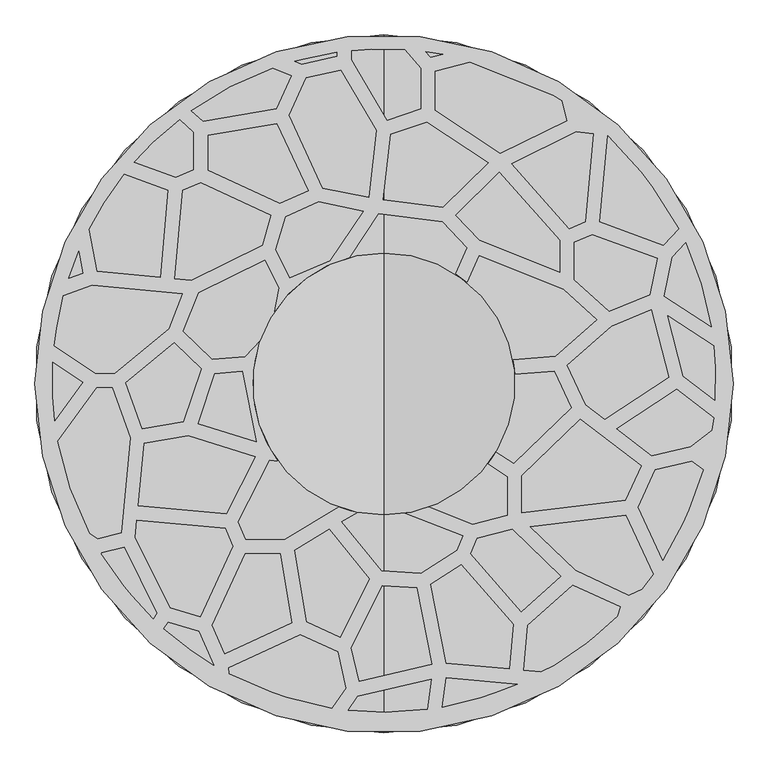
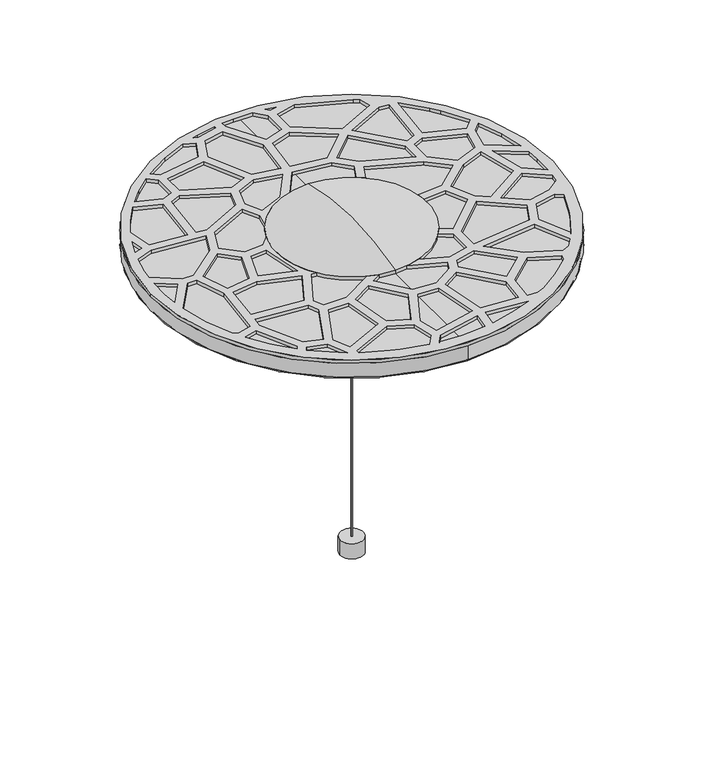
"""IFC4 building model written with IfcOpenShell, lengths in millimetres: light fixture geometry."""

import ifcopenshell
import ifcopenshell.guid

model = None  # the IFC model being written
_history = None  # IfcOwnerHistory: only IFC2X3 demands one
_inside = {}  # id of a spatial element -> (the spatial element, [elements in it])
_under = {}  # id of a project, library or spatial element -> (it, [spatial elements below it])
_declared = {}  # id of a project -> (the project, [libraries it declares])
_typed = {}  # id of a type object -> (the type object, [elements of that type])
_made_of = {}  # id of a material, layer set ... -> (it, [elements and type objects made of it])


def new_model(schema):
    """Start an empty IFC model of exactly this schema.

    Asked for "IFC4X3", IfcOpenShell would pick the latest addendum, in which some entities
    have other attributes; the version numbers below select the first issue.
    IFC2X3 requires an IfcOwnerHistory on every rooted entity: one is made here for all.
    """
    global model, _history
    if schema == "IFC4X3":
        model = ifcopenshell.file(schema_version=(4, 3, 0, 0))
    else:
        model = ifcopenshell.file(schema=schema)
    _inside.clear()
    _under.clear()
    _declared.clear()
    _typed.clear()
    _made_of.clear()
    _history = None
    if model.schema == "IFC2X3":
        org = make("IfcOrganization", Name="unknown")
        user = make(
            "IfcPersonAndOrganization",
            ThePerson=make("IfcPerson", FamilyName="unknown"),
            TheOrganization=org,
        )
        app = make(
            "IfcApplication",
            ApplicationDeveloper=org,
            Version="unknown",
            ApplicationFullName="unknown",
            ApplicationIdentifier="unknown",
        )
        _history = make(
            "IfcOwnerHistory",
            OwningUser=user,
            OwningApplication=app,
            ChangeAction="ADDED",
            CreationDate=0,
        )
    return model


def make(cls, **values):
    """One entity of the class cls with the attributes given. An attribute that is None is left unset."""
    return model.create_entity(
        cls, **{name: value for name, value in values.items() if value is not None}
    )


def rooted(cls, **values):
    """An entity with a GlobalId (a new one), such as an element, a storey or a relation."""
    return make(cls, GlobalId=ifcopenshell.guid.new(), OwnerHistory=_history, **values)


def si_unit(unit_type, name, prefix=None):
    """IfcSIUnit, for example si_unit("LENGTHUNIT", "METRE", prefix="MILLI")."""
    return make("IfcSIUnit", UnitType=unit_type, Prefix=prefix, Name=name)


def assignment(units):
    """IfcUnitAssignment: the units of a project."""
    return None if units is None else make("IfcUnitAssignment", Units=units)


def point(xyz):
    """IfcCartesianPoint."""
    return None if xyz is None else make("IfcCartesianPoint", Coordinates=xyz)


def direction(xyz):
    """IfcDirection."""
    return None if xyz is None else make("IfcDirection", DirectionRatios=xyz)


def frame(location, z_axis=None, x_axis=None):
    """IfcAxis2Placement3D, a coordinate frame: its origin and axes. An axis left out is left unset."""
    return make(
        "IfcAxis2Placement3D",
        Location=point(location),
        Axis=direction(z_axis),
        RefDirection=direction(x_axis),
    )


def frame_2d(location, x_axis=None):
    """IfcAxis2Placement2D, a coordinate frame in the plane: its origin and x axis."""
    return make(
        "IfcAxis2Placement2D", Location=point(location), RefDirection=direction(x_axis)
    )


def origin():
    """The frame at (0, 0, 0) with its axes left unset."""
    return frame((0.0, 0.0, 0.0))


def origin_with_axes():
    """The frame at (0, 0, 0) with the z axis (0, 0, 1) and the x axis (1, 0, 0) written out."""
    return frame((0.0, 0.0, 0.0), z_axis=(0.0, 0.0, 1.0), x_axis=(1.0, 0.0, 0.0))


def origin_2d():
    """The frame at (0, 0) in the plane with its x axis left unset."""
    return frame_2d((0.0, 0.0))


def place(relative_to, where):
    """IfcLocalPlacement: puts the frame where relative to a parent placement (None: the world)."""
    return make(
        "IfcLocalPlacement", PlacementRelTo=relative_to, RelativePlacement=where
    )


def context(
    kind, dimensions, precision=None, world=None, true_north=None, identifier=None
):
    """IfcGeometricRepresentationContext, for example the 3D "Model" context."""
    return make(
        "IfcGeometricRepresentationContext",
        ContextIdentifier=identifier,
        ContextType=kind,
        CoordinateSpaceDimension=dimensions,
        Precision=precision,
        WorldCoordinateSystem=world,
        TrueNorth=true_north,
    )


def project(units=None, contexts=None):
    """IfcProject with its units and contexts."""
    return rooted(
        "IfcProject",
        Name="project",
        RepresentationContexts=contexts,
        UnitsInContext=assignment(units),
    )


def spatial(cls, under=None, at=None, **own):
    """A site, building, storey or space (cls), placed at a placement, below another one or the project."""
    s = rooted(cls, ObjectPlacement=at, **own)
    if under is not None:
        _under.setdefault(under.id(), (under, []))[1].append(s)
    return s


def polyline(points):
    """IfcPolyline through the points."""
    return make("IfcPolyline", Points=[point(p) for p in points])


def circle_curve(where, radius):
    """IfcCircle in the frame where."""
    return make("IfcCircle", Position=where, Radius=radius)


def ellipse_curve(where, semi_axis1, semi_axis2):
    """IfcEllipse in the frame where."""
    return make(
        "IfcEllipse", Position=where, SemiAxis1=semi_axis1, SemiAxis2=semi_axis2
    )


def trimmed(basis, trim1, trim2, sense, master):
    """IfcTrimmedCurve: the piece of a basis curve between two trims."""
    return make(
        "IfcTrimmedCurve",
        BasisCurve=basis,
        Trim1=trim1,
        Trim2=trim2,
        SenseAgreement=sense,
        MasterRepresentation=master,
    )


def segment(curve, same_sense, transition):
    """IfcCompositeCurveSegment."""
    return make(
        "IfcCompositeCurveSegment",
        Transition=transition,
        SameSense=same_sense,
        ParentCurve=curve,
    )


def composite_curve(segments, self_intersect=None):
    """IfcCompositeCurve: segments joined end to end."""
    return make("IfcCompositeCurve", Segments=segments, SelfIntersect=self_intersect)


def outline(outer, holes=None, kind="AREA"):
    """IfcArbitraryClosedProfileDef: a profile drawn as a closed curve; with holes, ...WithVoids."""
    if holes is None:
        return make("IfcArbitraryClosedProfileDef", ProfileType=kind, OuterCurve=outer)
    return make(
        "IfcArbitraryProfileDefWithVoids",
        ProfileType=kind,
        OuterCurve=outer,
        InnerCurves=holes,
    )


def extrude(swept, where, along, depth):
    """IfcExtrudedAreaSolid: the profile swept, set in the frame where, extruded along a direction by depth."""
    return make(
        "IfcExtrudedAreaSolid",
        SweptArea=swept,
        Position=where,
        ExtrudedDirection=direction(along),
        Depth=depth,
    )


def shape(context_of_items, identifier, shape_type, items):
    """IfcShapeRepresentation: the items that make up one representation, for example the "Body"."""
    return make(
        "IfcShapeRepresentation",
        ContextOfItems=context_of_items,
        RepresentationIdentifier=identifier,
        RepresentationType=shape_type,
        Items=items,
    )


def source(mapping_origin, context_of_items, identifier, shape_type, items):
    """IfcRepresentationMap: a shape defined once, which mapped items show again and again."""
    return make(
        "IfcRepresentationMap",
        MappingOrigin=mapping_origin,
        MappedRepresentation=shape(context_of_items, identifier, shape_type, items),
    )


def transform(
    local_origin,
    x_axis=None,
    y_axis=None,
    z_axis=None,
    scale=None,
    scale2=None,
    scale3=None,
    uniform=True,
):
    """IfcCartesianTransformationOperator3D, or its non-uniform kind. x_axis, y_axis, z_axis: its Axis1, 2, 3."""
    if uniform:
        return make(
            "IfcCartesianTransformationOperator3D",
            Axis1=direction(x_axis),
            Axis2=direction(y_axis),
            LocalOrigin=point(local_origin),
            Scale=scale,
            Axis3=direction(z_axis),
        )
    return make(
        "IfcCartesianTransformationOperator3DnonUniform",
        Axis1=direction(x_axis),
        Axis2=direction(y_axis),
        LocalOrigin=point(local_origin),
        Scale=scale,
        Axis3=direction(z_axis),
        Scale2=scale2,
        Scale3=scale3,
    )


def mapped(mapping_source, mapping_target):
    """IfcMappedItem: shows the shape of a source again, moved by a transform."""
    return make(
        "IfcMappedItem", MappingSource=mapping_source, MappingTarget=mapping_target
    )


def made_of(thing, what):
    """Note that an element or type object is made of a material, layer set ...; save() writes the relation."""
    if what is not None:
        _made_of.setdefault(what.id(), (what, []))[1].append(thing)
    return thing


def element(
    cls,
    number,
    at=None,
    inside=None,
    cuts=None,
    type_object=None,
    material=None,
    context=None,
    identifier="Body",
    shape_type=None,
    held_by="IfcProductDefinitionShape",
    body=None,
    shapes=None,
    **own,
):
    """One element of the class cls, such as IfcWall. Its Tag is "e" and its number.

    at: its placement. inside: the storey or other place that contains it. cuts: it is an
    opening in that element (IfcRelVoidsElement). A single representation is given by context,
    identifier, shape_type and body (its items); several are given by shapes. held_by: the class
    of the entity that holds the representations. save() writes the other relations.
    """
    e = rooted(cls, Tag="e%d" % number, ObjectPlacement=at, **own)
    if body is not None:
        shapes = [shape(context, identifier, shape_type, body)]
    if shapes is not None:
        e.Representation = make(held_by, Representations=shapes)
    if inside is not None:
        _inside.setdefault(inside.id(), (inside, []))[1].append(e)
    if cuts is not None:
        rooted(
            "IfcRelVoidsElement", RelatingBuildingElement=cuts, RelatedOpeningElement=e
        )
    if type_object is not None:
        _typed.setdefault(type_object.id(), (type_object, []))[1].append(e)
    return made_of(e, material)


def aggregate(whole, parts):
    """IfcRelAggregates: a whole, such as a stair, and the parts it consists of."""
    return rooted("IfcRelAggregates", RelatingObject=whole, RelatedObjects=parts)


def save(model, path):
    """Write the relations noted so far, then the file.

    IfcRelAggregates (storeys below a building ...), IfcRelContainedInSpatialStructure (elements
    in a storey), IfcRelDefinesByType, IfcRelAssociatesMaterial and IfcRelDeclares: one each for
    every whole, place, type object, material and project.
    """
    for whole, parts in _under.values():
        aggregate(whole, parts)
    for where, things in _inside.values():
        rooted(
            "IfcRelContainedInSpatialStructure",
            RelatedElements=things,
            RelatingStructure=where,
        )
    for kind, things in _typed.values():
        rooted("IfcRelDefinesByType", RelatedObjects=things, RelatingType=kind)
    for what, things in _made_of.values():
        rooted("IfcRelAssociatesMaterial", RelatedObjects=things, RelatingMaterial=what)
    for by, libraries in _declared.values():
        rooted("IfcRelDeclares", RelatingContext=by, RelatedDefinitions=libraries)
    model.write(path)


def plane_surface(at):
    """IfcPlane: the flat surface through the origin of the frame at, square to its z axis."""
    return make("IfcPlane", Position=at)


def cylinder_surface(at, radius):
    """IfcCylindricalSurface: all points at the distance radius from the z axis of the frame at."""
    return make("IfcCylindricalSurface", Position=at, Radius=radius)


def revolved_surface(curve, axis_point, axis_direction):
    """IfcSurfaceOfRevolution: the curve turned about the line through axis_point along axis_direction."""
    return make(
        "IfcSurfaceOfRevolution",
        SweptCurve=make("IfcArbitraryOpenProfileDef", ProfileType="CURVE", Curve=curve),
        AxisPosition=make("IfcAxis1Placement", Location=point(axis_point), Axis=direction(axis_direction)),
    )


def spline_surface(u_degree, v_degree, points, u_multiplicities, v_multiplicities, u_knots, v_knots, weights=None):
    """IfcBSplineSurfaceWithKnots; with weights, IfcRationalBSplineSurfaceWithKnots. points: one row for each step in u."""
    own = dict(
        UDegree=u_degree,
        VDegree=v_degree,
        ControlPointsList=[[point(p) for p in row] for row in points],
        SurfaceForm="UNSPECIFIED",
        UClosed=False,
        VClosed=False,
        SelfIntersect=False,
        UMultiplicities=u_multiplicities,
        VMultiplicities=v_multiplicities,
        UKnots=u_knots,
        VKnots=v_knots,
        KnotSpec="UNSPECIFIED",
    )
    if weights is None:
        return make("IfcBSplineSurfaceWithKnots", **own)
    return make("IfcRationalBSplineSurfaceWithKnots", WeightsData=weights, **own)


def advanced_brep(points, edges, surfaces, faces):
    """IfcAdvancedBrep: a solid bounded by faces that lie on surfaces and meet in shared edges.

    An edge is (start, end): straight between two places in points (the first is 0);
    or (start, end, curve); or (start, end, curve, False) where it runs against its curve.
    A face is (place in surfaces, loops), or (place, loops, False) where it looks against
    its surface's normal. A loop lists edges by number (the first is 1), with a minus sign
    where the edge is run from its end to its start. The first loop is the outer one.
    """
    corners = [point(p) for p in points]
    vertices = [make("IfcVertexPoint", VertexGeometry=c) for c in corners]
    made = []
    for start, end, *more in edges:
        made.append(
            make(
                "IfcEdgeCurve",
                EdgeStart=vertices[start],
                EdgeEnd=vertices[end],
                EdgeGeometry=more[0] if more else make("IfcPolyline", Points=[corners[start], corners[end]]),
                SameSense=more[1] if len(more) > 1 else True,
            )
        )
    hull = []
    for where, loops, *sense in faces:
        bounds = []
        for j, loop in enumerate(loops):
            ring = [make("IfcOrientedEdge", EdgeElement=made[abs(k) - 1], Orientation=k > 0) for k in loop]
            bounds.append(
                make(
                    "IfcFaceOuterBound" if j == 0 else "IfcFaceBound",
                    Bound=make("IfcEdgeLoop", EdgeList=ring),
                    Orientation=True,
                )
            )
        hull.append(make("IfcAdvancedFace", Bounds=bounds, FaceSurface=surfaces[where], SameSense=sense[0] if sense else True))
    return make("IfcAdvancedBrep", Outer=make("IfcClosedShell", CfsFaces=hull))


def light_fixture_6d06a873(model_context):
    return source(origin(), model_context, "Body", "SolidModel", [
        advanced_brep(
        [(-0.418367, 1.561367, 727.45), (-1.561367, -0.418367, 727.45), (-172.6595666, 100.9948582, 950.4000057), (-173.7938962, 99.0301418, 950.4000057)],
        [
            (0, 1, circle_curve(frame((-0.989867, 0.5715, 727.45), z_axis=(0.0, 0.0, -1.0), x_axis=(-0.500000000000015, -0.86602540378443, 0.0)), 1.143)),
            (1, 0, circle_curve(frame((-0.989867, 0.5715, 727.45), z_axis=(0.0, 0.0, -1.0), x_axis=(-0.500000000000015, -0.86602540378443, 0.0)), 1.143)),
            (2, 3, circle_curve(frame((-173.2267314, 100.0125, 950.4000057), z_axis=(0.0, 0.0, 1.0), x_axis=(-0.500000000000015, -0.86602540378443, 0.0)), 1.1343295)),
            (3, 2, circle_curve(frame((-173.2267314, 100.0125, 950.4000057), z_axis=(0.0, 0.0, 1.0), x_axis=(-0.500000000000015, -0.86602540378443, 0.0)), 1.1343295)),
            (2, 0),
            (1, 3),
        ],
        [
            plane_surface(frame((-0.989867, 0.5715, 727.45), z_axis=(0.0, 0.0, -1.0), x_axis=(-0.8660254037844284, 0.5000000000000178, 0.0))),
            plane_surface(frame((-173.2267314, 100.0125, 950.4000057), z_axis=(0.0, 0.0, 1.0), x_axis=(-0.8660254037844284, 0.5000000000000178, 0.0))),
            spline_surface(2, 1, [[(-173.7938962, 99.0301418, 950.4000057), (-1.561367, -0.418367, 727.45)], [(-174.20080228954842, 99.26506915226062, 950.4000057), (-1.9713833363455684, -0.18164394910377626, 727.45)], [(-174.32240962090452, 99.7189139313561, 950.4000057), (-2.093920193620896, 0.27566985727532756, 727.45)], [(-174.44401695226065, 100.17275871045157, 950.4000057), (-2.216457050896224, 0.7329836636544315, 727.45)], [(-174.20908960000003, 100.5796648, 950.4000057), (-1.979734, 1.143, 727.45)], [(-173.97416224773937, 100.98657088954843, 950.4000057), (-1.7430109491037762, 1.5530163363455682, 727.45)], [(-173.5203174686439, 101.10817822090453, 950.4000057), (-1.2856971427246724, 1.6755531936208963, 727.45)], [(-173.06647268954842, 101.22978555226064, 950.4000057), (-0.8283833363455684, 1.7980900508962239, 727.45)], [(-172.6595666, 100.9948582, 950.4000057), (-0.418367, 1.561367, 727.45)]], [3, 2, 2, 2, 3], [2, 2], [0.0, 1.0, 2.0, 3.0, 4.0], [0.0, 1.0], weights=[[1.0, 1.0], [0.9238795325112867, 0.9238795325112867], [1.0, 1.0], [0.9238795325112867, 0.9238795325112867], [1.0, 1.0], [0.9238795325112868, 0.9238795325112868], [1.0, 1.0], [0.9238795325112868, 0.9238795325112868], [1.0, 1.0]]),
            spline_surface(2, 1, [[(-172.6595666, 100.9948582, 950.4000057), (-0.418367, 1.561367, 727.45)], [(-171.6772084, 100.4276934, 950.4000057), (0.5715, 0.9898669999999998, 727.45)], [(-172.2443732, 99.4453352, 950.4000057), (-1.1102230246251565e-16, 0.0, 727.45)], [(-172.811538, 98.46297700000001, 950.4000057), (-0.5715, -0.989867, 727.45)], [(-173.7938962, 99.0301418, 950.4000057), (-1.561367, -0.418367, 727.45)]], [3, 2, 3], [2, 2], [0.0, 1.0, 2.0], [0.0, 1.0], weights=[[1.0, 1.0], [0.7071067811865476, 0.7071067811865476], [1.0, 1.0], [0.7071067811865476, 0.7071067811865476], [1.0, 1.0]]),
        ],
        [
            (0, [[1, 2]]),
            (1, [[3, 4]]),
            (2, [[-3, 5, -2, 6]]),
            (3, [[-4, -6, -1, -5]]),
        ],
    ),
        advanced_brep(
        [(1.561367, -0.418367, 727.45), (0.418367, 1.561367, 727.45), (173.7938962, 99.0301418, 950.4000057), (172.6595666, 100.9948582, 950.4000057)],
        [
            (0, 1, circle_curve(frame((0.989867, 0.5715, 727.45), z_axis=(0.0, 0.0, -1.0000000000000002), x_axis=(-0.4999999999999754, 0.866025403784453, 0.0)), 1.143)),
            (1, 0, circle_curve(frame((0.989867, 0.5715, 727.45), z_axis=(0.0, 0.0, -1.0000000000000002), x_axis=(-0.4999999999999754, 0.866025403784453, 0.0)), 1.143)),
            (2, 3, circle_curve(frame((173.2267314, 100.0125, 950.4000057), z_axis=(0.0, 0.0, 1.0000000000000002), x_axis=(-0.4999999999999754, 0.866025403784453, 0.0)), 1.1343295)),
            (3, 2, circle_curve(frame((173.2267314, 100.0125, 950.4000057), z_axis=(0.0, 0.0, 1.0000000000000002), x_axis=(-0.4999999999999754, 0.866025403784453, 0.0)), 1.1343295)),
            (2, 0),
            (1, 3),
        ],
        [
            plane_surface(frame((0.989867, 0.5715, 727.45), z_axis=(0.0, 0.0, -1.0), x_axis=(0.8660254037844545, 0.4999999999999725, 0.0))),
            plane_surface(frame((173.2267314, 100.0125, 950.4000057), z_axis=(0.0, 0.0, 1.0), x_axis=(0.8660254037844545, 0.4999999999999725, 0.0))),
            spline_surface(2, 1, [[(172.6595666, 100.9948582, 950.4000057), (0.418367, 1.561367, 727.45)], [(173.06647268954842, 101.22978555226062, 950.4000057), (0.8283833363455685, 1.7980900508962239, 727.45)], [(173.5203174686439, 101.10817822090452, 950.4000057), (1.2856971427246724, 1.675553193620896, 727.45)], [(173.97416224773937, 100.98657088954842, 950.4000057), (1.7430109491037764, 1.5530163363455687, 727.45)], [(174.2090896, 100.5796648, 950.4000057), (1.979734, 1.1430000000000002, 727.45)], [(174.44401695226063, 100.17275871045159, 950.4000057), (2.2164570508962242, 0.7329836636544316, 727.45)], [(174.32240962090452, 99.71891393135611, 950.4000057), (2.093920193620896, 0.2756698572753276, 727.45)], [(174.20080228954842, 99.26506915226064, 950.4000057), (1.9713833363455684, -0.18164394910377618, 727.45)], [(173.7938962, 99.0301418, 950.4000057), (1.561367, -0.418367, 727.45)]], [3, 2, 2, 2, 3], [2, 2], [0.0, 1.0, 2.0, 3.0, 4.0], [0.0, 1.0], weights=[[1.0, 1.0], [0.9238795325112867, 0.9238795325112867], [1.0, 1.0], [0.9238795325112867, 0.9238795325112867], [1.0, 1.0], [0.9238795325112868, 0.9238795325112868], [1.0, 1.0], [0.9238795325112868, 0.9238795325112868], [1.0, 1.0]]),
            spline_surface(2, 1, [[(173.7938962, 99.0301418, 950.4000057), (1.561367, -0.418367, 727.45)], [(172.81153799999998, 98.462977, 950.4000057), (0.5714999999999997, -0.989867, 727.45)], [(172.24437319999998, 99.4453352, 950.4000057), (-2.220446049250313e-16, -1.1102230246251565e-16, 727.45)], [(171.67720839999998, 100.42769340000001, 950.4000057), (-0.5715000000000002, 0.9898669999999998, 727.45)], [(172.6595666, 100.9948582, 950.4000057), (0.418367, 1.561367, 727.45)]], [3, 2, 3], [2, 2], [0.0, 1.0, 2.0], [0.0, 1.0], weights=[[1.0, 1.0], [0.7071067811865476, 0.7071067811865476], [1.0, 1.0], [0.7071067811865476, 0.7071067811865476], [1.0, 1.0]]),
        ],
        [
            (0, [[1, 2]]),
            (1, [[3, 4]]),
            (2, [[-3, 5, -2, 6]]),
            (3, [[-4, -6, -1, -5]]),
        ],
    ),
        advanced_brep(
        [(-1.143, -1.143, 727.45), (1.143, -1.143, 727.45), (-1.1343295, -200.025, 950.4000057), (1.1343295, -200.025, 950.4000057)],
        [
            (0, 1, circle_curve(frame((0.0, -1.143, 727.45), z_axis=(0.0, 0.0, -1.0), x_axis=(1.0, 0.0, 0.0)), 1.143)),
            (1, 0, circle_curve(frame((0.0, -1.143, 727.45), z_axis=(0.0, 0.0, -1.0), x_axis=(1.0, 0.0, 0.0)), 1.143)),
            (2, 3, circle_curve(frame((0.0, -200.025, 950.4000057), z_axis=(0.0, 0.0, 1.0), x_axis=(1.0, 0.0, 0.0)), 1.1343295)),
            (3, 2, circle_curve(frame((0.0, -200.025, 950.4000057), z_axis=(0.0, 0.0, 1.0), x_axis=(1.0, 0.0, 0.0)), 1.1343295)),
            (2, 0),
            (1, 3),
        ],
        [
            plane_surface(frame((0.0, -1.143, 727.45), z_axis=(0.0, 0.0, -1.0), x_axis=(0.0, -1.0, 0.0))),
            plane_surface(frame((0.0, -200.025, 950.4000057), z_axis=(0.0, 0.0, 1.0), x_axis=(0.0, -1.0, 0.0))),
            spline_surface(2, 1, [[(1.1343295, -200.025, 950.4000057), (1.143, -1.143, 727.45)], [(1.1343295, -201.1593295, 950.4000057), (1.143, -2.286, 727.45)], [(0.0, -201.1593295, 950.4000057), (0.0, -2.286, 727.45)], [(-1.1343295, -201.1593295, 950.4000057), (-1.143, -2.286, 727.45)], [(-1.1343295, -200.025, 950.4000057), (-1.143, -1.143, 727.45)]], [3, 2, 3], [2, 2], [0.0, 1.0, 2.0], [0.0, 1.0], weights=[[1.0, 1.0], [0.7071067811865476, 0.7071067811865476], [1.0, 1.0], [0.7071067811865476, 0.7071067811865476], [1.0, 1.0]]),
            spline_surface(2, 1, [[(-1.1343295, -200.025, 950.4000057), (-1.143, -1.143, 727.45)], [(-1.1343295, -198.8906705, 950.4000057), (-1.143, 0.0, 727.45)], [(0.0, -198.8906705, 950.4000057), (0.0, 0.0, 727.45)], [(1.1343295, -198.8906705, 950.4000057), (1.143, 0.0, 727.45)], [(1.1343295, -200.025, 950.4000057), (1.143, -1.143, 727.45)]], [3, 2, 3], [2, 2], [0.0, 1.0, 2.0], [0.0, 1.0], weights=[[1.0, 1.0], [0.7071067811865476, 0.7071067811865476], [1.0, 1.0], [0.7071067811865476, 0.7071067811865476], [1.0, 1.0]]),
        ],
        [
            (0, [[1, 2]]),
            (1, [[3, 4]]),
            (2, [[-3, 5, -2, 6]]),
            (3, [[-4, -6, -1, -5]]),
        ],
    ),
        advanced_brep(
        [(0.0, -6.35, 727.45), (0.0, 6.35, 727.45), (0.0, 3.81, 727.45), (0.0, -3.81, 727.45), (0.0, -6.35, 733.8), (0.0, 6.35, 733.8), (0.0, 0.0, 733.8), (0.0, -3.81, 708.4), (0.0, 3.81, 708.4), (0.0, 0.0, 708.4)],
        [
            (0, 1, circle_curve(frame((0.0, 0.0, 727.45), z_axis=(0.0, 0.0, -1.0), x_axis=(0.0, 1.0, 0.0)), 6.35)),
            (1, 2),
            (2, 3, circle_curve(frame((0.0, 0.0, 727.45), z_axis=(0.0, 0.0, 1.0), x_axis=(0.0, 1.0, 0.0)), 3.81)),
            (3, 0),
            (1, 0, circle_curve(frame((0.0, 0.0, 727.45), z_axis=(0.0, 0.0, -1.0), x_axis=(0.0, 1.0, 0.0)), 6.35)),
            (3, 2, circle_curve(frame((0.0, 0.0, 727.45), z_axis=(0.0, 0.0, 1.0), x_axis=(0.0, 1.0, 0.0)), 3.81)),
            (4, 5, circle_curve(frame((0.0, 0.0, 733.8), z_axis=(0.0, 0.0, -1.0), x_axis=(0.0, 1.0, 0.0)), 6.35)),
            (5, 1),
            (0, 4),
            (5, 4, circle_curve(frame((0.0, 0.0, 733.8), z_axis=(0.0, 0.0, -1.0), x_axis=(0.0, 1.0, 0.0)), 6.35)),
            (6, 5),
            (4, 6),
            (7, 8, circle_curve(frame((0.0, 0.0, 708.4), z_axis=(0.0, 0.0, -1.0), x_axis=(0.0, 1.0, 0.0)), 3.81)),
            (8, 9),
            (9, 7),
            (8, 7, circle_curve(frame((0.0, 0.0, 708.4), z_axis=(0.0, 0.0, -1.0), x_axis=(0.0, 1.0, 0.0)), 3.81)),
            (2, 8),
            (7, 3),
        ],
        [
            plane_surface(frame((0.0, 0.0, 727.45), z_axis=(0.0, 0.0, -1.0), x_axis=(0.0, 1.0, 0.0))),
            cylinder_surface(frame((0.0, 0.0, 778.25), z_axis=(0.0, 0.0, 1.0), x_axis=(0.0, 1.0, 0.0)), 6.35),
            plane_surface(frame((0.0, 0.0, 733.8), z_axis=(0.0, 0.0, 1.0), x_axis=(0.0, 1.0, 0.0))),
            plane_surface(frame((0.0, 0.0, 708.4), z_axis=(0.0, 0.0, -1.0), x_axis=(0.0, 1.0, 0.0))),
            cylinder_surface(frame((0.0, 0.0, 778.25), z_axis=(0.0, 0.0, 1.0), x_axis=(0.0, 1.0, 0.0)), 3.81),
        ],
        [
            (0, [[1, 2, 3, 4]]),
            (0, [[5, -4, 6, -2]]),
            (1, [[7, 8, -1, 9]]),
            (1, [[10, -9, -5, -8]]),
            (2, [[11, -7, 12]]),
            (2, [[-12, -10, -11]]),
            (3, [[13, 14, 15]]),
            (3, [[16, -15, -14]]),
            (4, [[-3, 17, -13, 18]]),
            (4, [[-6, -18, -16, -17]]),
        ],
    ),
        advanced_brep(
        [(0.0, -225.044, 950.4000057), (0.0, 225.044, 950.4000057), (0.0, 0.0, 950.4000057), (0.0, -225.044, 964.94), (0.0, 225.044, 964.94), (0.0, 0.0, 964.94)],
        [
            (0, 1, circle_curve(frame((0.0, 0.0, 950.4000057), z_axis=(0.0, 0.0, -1.0), x_axis=(0.0, 1.0, 0.0)), 225.044)),
            (1, 2),
            (2, 0),
            (1, 0, circle_curve(frame((0.0, 0.0, 950.4000057), z_axis=(0.0, 0.0, -1.0), x_axis=(0.0, 1.0, 0.0)), 225.044)),
            (3, 4, circle_curve(frame((0.0, 0.0, 964.94), z_axis=(0.0, 0.0, -1.0), x_axis=(0.0, 1.0, 0.0)), 225.044)),
            (4, 1),
            (0, 3),
            (4, 3, circle_curve(frame((0.0, 0.0, 964.94), z_axis=(0.0, 0.0, -1.0), x_axis=(0.0, 1.0, 0.0)), 225.044)),
            (5, 4),
            (3, 5),
        ],
        [
            plane_surface(frame((0.0, 0.0, 950.4000057), z_axis=(0.0, 0.0, -1.0), x_axis=(0.0, 1.0, 0.0))),
            cylinder_surface(frame((0.0, 0.0, 1193.54), z_axis=(0.0, 0.0, 1.0), x_axis=(0.0, 1.0, 0.0)), 225.044),
            plane_surface(frame((0.0, 0.0, 964.94), z_axis=(0.0, 0.0, 1.0), x_axis=(0.0, 1.0, 0.0))),
        ],
        [
            (0, [[1, 2, 3]]),
            (0, [[4, -3, -2]]),
            (1, [[5, 6, -1, 7]]),
            (1, [[8, -7, -4, -6]]),
            (2, [[9, -5, 10]]),
            (2, [[-10, -8, -9]]),
        ],
    ),
        advanced_brep(
        [(0.0, -225.044, 964.94), (0.0, 225.044, 964.94), (0.0, 0.0, 964.94), (0.0, -225.044, 1022.344), (0.0, 225.044, 1022.344), (0.0, 0.0, 1055.258596)],
        [
            (0, 1, circle_curve(frame((0.0, 0.0, 964.94), z_axis=(0.0, 0.0, -1.0), x_axis=(0.0, 1.0, 0.0)), 225.044)),
            (1, 2),
            (2, 0),
            (1, 0, circle_curve(frame((0.0, 0.0, 964.94), z_axis=(0.0, 0.0, -1.0), x_axis=(0.0, 1.0, 0.0)), 225.044)),
            (3, 4, circle_curve(frame((0.0, 0.0, 1022.344), z_axis=(0.0, 0.0, -1.0), x_axis=(0.0, 1.0, 0.0)), 225.044)),
            (4, 1),
            (0, 3),
            (4, 3, circle_curve(frame((0.0, 0.0, 1022.344), z_axis=(0.0, 0.0, -1.0), x_axis=(0.0, 1.0, 0.0)), 225.044)),
            (5, 4, circle_curve(frame((0.0, 0.0, 269.4647715), z_axis=(-1.0, 0.0, 0.0), x_axis=(0.0, 1.0, 0.0)), 785.7938245)),
            (3, 5, circle_curve(frame((0.0, 0.0, 269.4647715), z_axis=(-1.0, 0.0, 0.0), x_axis=(0.0, -1.0, 0.0)), 785.7938245)),
        ],
        [
            plane_surface(frame((0.0, 0.0, 964.94), z_axis=(0.0, 0.0, -1.0), x_axis=(0.0, 1.0, 0.0))),
            cylinder_surface(frame((0.0, 0.0, 1343.4), z_axis=(0.0, 0.0, 1.0), x_axis=(0.0, 1.0, 0.0)), 225.044),
            revolved_surface(trimmed(ellipse_curve(frame((0.0, 0.0, 269.4647715), z_axis=(1.0, 0.0, 0.0), x_axis=(0.0, 1.0, 0.0)), 785.7938245, 785.7938245), [point((0.0, 225.044, 1022.344))], [point((0.0, 0.0, 1055.258596))], True, "CARTESIAN"), (0.0, 0.0, 1343.4), (0.0, 0.0, 1.0)),
        ],
        [
            (0, [[1, 2, 3]]),
            (0, [[4, -3, -2]]),
            (1, [[5, 6, -1, 7]]),
            (1, [[8, -7, -4, -6]]),
            (2, [[9, -5, 10]]),
            (2, [[-10, -8, -9]]),
        ],
    ),
        extrude(outline(composite_curve([segment(trimmed(circle_curve(frame_2d((0.052, 0.052)), 600.0), [point((-599.948, 0.052))], [point((600.052, 0.052))], False, "CARTESIAN"), True, "CONTINUOUS"), segment(trimmed(circle_curve(frame_2d((0.052, 0.052)), 600.0), [point((600.052, 0.052))], [point((-599.948, 0.052))], False, "CARTESIAN"), True, "CONTINUOUS")], self_intersect=False), holes=[polyline([(-138.3621489, 558.4445514), (-153.648764, 554.6609396), (-141.428236, 549.7674366), (-80.7289025, 563.5804545), (-80.7289025, 570.0215214), (-138.3621489, 558.4445514)]), polyline([(-191.1520739, 542.7486568), (-264.1699705, 510.7854187), (-331.0072122, 469.778819), (-311.0111125, 451.6423284), (-185.2155015, 472.7222268), (-159.2417064, 529.970692), (-191.1520739, 542.7486568)]), polyline([(-351.4038549, 454.5271993), (-396.315881, 415.0949203), (-429.1513946, 380.8539793), (-358.2283593, 355.0483742), (-327.420953, 367.8954119), (-327.420953, 432.7746736), (-351.4038549, 454.5271993)]), polyline([(-302.420953, 427.7332267), (-302.420953, 367.5593288), (-179.0356784, 310.5561005), (-130.3037842, 332.0817714), (-183.9117194, 447.5921278), (-302.420953, 427.7332267)]), polyline([(-25.8117547, 320.7385388), (-12.8396016, 435.698344), (-74.3352204, 539.3962798), (-133.6350427, 525.9017411), (-162.8300191, 461.5535168), (-104.9263894, 336.7871205), (-25.8117547, 320.7385388)]), polyline([(-55.7289025, 573.0387661), (-55.7289025, 557.0331482), (5.6404823, 453.5480764), (63.2081014, 472.9983584), (63.2081014, 542.6596992), (35.6865132, 574.6597599), (-21.6456599, 575.0352074), (-55.7289025, 573.0387661)]), polyline([(80.1279505, 561.3265731), (101.2404973, 566.721148), (71.5766425, 571.2693996), (80.1279505, 561.3265731)]), polyline([(88.2081014, 537.5879766), (88.2081014, 470.7369183), (200.0152079, 396.5916615), (313.9821454, 452.6337783), (305.3626293, 487.1118427), (290.2842144, 496.3511849), (147.7054944, 552.7904601), (88.2081014, 537.5879766)]), polyline([(73.9053223, 450.2242255), (11.5820748, 429.1671667), (-1.1180652, 316.617953), (101.372671, 303.5663409), (179.3385205, 380.3058473), (73.9053223, 450.2242255)]), polyline([(-112.1919131, 312.7517706), (-168.7938119, 287.7497907), (-185.5999453, 230.5572051), (-161.5595464, 182.851661), (-92.8173762, 211.5179255), (-35.6493608, 297.2249416), (-112.1919131, 312.7517706)]), composite_curve([segment(trimmed(circle_curve(frame_2d((0.052, 0.052)), 225.0), [point((-58.9998336, 217.1645997))], [point((-132.784534, 181.6544648))], True, "CARTESIAN"), True, "CONTINUOUS"), segment(trimmed(circle_curve(frame_2d((0.052, 0.052)), 225.0), [point((-132.784534, 181.6544648))], [point((-189.7271458, 120.9191826))], True, "CARTESIAN"), True, "CONTINUOUS"), segment(polyline([(-189.7271458, 120.9191826), (-180.6085844, 165.099456), (-204.5775156, 212.6631803), (-318.6267622, 156.5805887), (-344.977982, 90.6022962), (-295.3178523, 42.4263703), (-238.8600715, 47.077005), (-211.7397042, 76.0077374)]), True, "CONTINUOUS"), segment(trimmed(circle_curve(frame_2d((0.052, 0.052)), 225.0), [point((-211.7397042, 76.0077374))], [point((-222.2210393, -34.8721466))], True, "CARTESIAN"), True, "CONTINUOUS"), segment(trimmed(circle_curve(frame_2d((0.052, 0.052)), 225.0), [point((-222.2210393, -34.8721466))], [point((-181.775283, -132.4766352))], True, "CARTESIAN"), True, "CONTINUOUS"), segment(polyline([(-181.775283, -132.4766352), (-196.1480832, -131.1267033), (-250.3194641, -236.7959417), (-237.8273143, -266.7523207), (-170.8496479, -266.7523207), (-77.4934432, -211.1628296)]), True, "CONTINUOUS"), segment(trimmed(circle_curve(frame_2d((0.052, 0.052)), 225.0), [point((-77.4934432, -211.1628296))], [point((-56.896053, -217.6218828))], True, "CARTESIAN"), True, "CONTINUOUS"), segment(trimmed(circle_curve(frame_2d((0.052, 0.052)), 225.0), [point((-56.896053, -217.6218828))], [point((-44.3493107, -220.5234375))], True, "CARTESIAN"), True, "CONTINUOUS"), segment(polyline([(-44.3493107, -220.5234375), (-72.3316466, -237.1856809), (-3.8216896, -321.3269264), (63.6384912, -325.6367139), (125.0534372, -285.8541653), (135.1759955, -261.3109705), (36.0093997, -222.056229)]), True, "CONTINUOUS"), segment(trimmed(circle_curve(frame_2d((0.052, 0.052)), 225.0), [point((36.0093997, -222.056229))], [point((76.9821486, -211.387713))], True, "CARTESIAN"), True, "CONTINUOUS"), segment(polyline([(76.9821486, -211.387713), (152.3985056, -241.2410076), (211.8958986, -226.038524), (211.8958986, -159.1874673), (178.4756028, -137.0246864)]), True, "CONTINUOUS"), segment(trimmed(circle_curve(frame_2d((0.052, 0.052)), 225.0), [point((178.4756028, -137.0246864))], [point((186.5577217, -125.8075081))], True, "CARTESIAN"), True, "CONTINUOUS"), segment(trimmed(circle_curve(frame_2d((0.052, 0.052)), 225.0), [point((186.5577217, -125.8075081))], [point((192.5827009, -116.382227))], True, "CARTESIAN"), True, "CONTINUOUS"), segment(polyline([(192.5827009, -116.382227), (222.9312819, -136.50799), (321.6626518, -41.0630508), (292.3873737, 21.9815335), (224.4583311, 16.3859689)]), True, "CONTINUOUS"), segment(trimmed(circle_curve(frame_2d((0.052, 0.052)), 225.0), [point((224.4583311, 16.3859689))], [point((222.7220393, 32.3483402))], True, "CARTESIAN"), True, "CONTINUOUS"), segment(trimmed(circle_curve(frame_2d((0.052, 0.052)), 225.0), [point((222.7220393, 32.3483402))], [point((221.2561519, 41.206868))], True, "CARTESIAN"), True, "CONTINUOUS"), segment(polyline([(221.2561519, 41.206868), (294.8763999, 47.2712381), (365.8963847, 110.2204333), (308.2809564, 162.4777077), (163.9790369, 220.6429684), (142.8029706, 173.9691078)]), True, "CONTINUOUS"), segment(trimmed(circle_curve(frame_2d((0.052, 0.052)), 225.0), [point((142.8029706, 173.9691078))], [point((122.1798932, 189.0223091))], True, "CARTESIAN"), True, "CONTINUOUS"), segment(polyline([(122.1798932, 189.0223091), (142.6550081, 234.151213), (99.8686007, 278.5559837), (-8.8187618, 292.396701), (-58.9998336, 217.1645997)]), True, "CONTINUOUS")], self_intersect=False), polyline([(315.3102232, 31.9760528), (346.7929642, -35.8223232), (379.4887386, -60.9423666), (489.1738319, 11.298257), (459.0969151, 127.6274773), (391.3535376, 99.3777208), (315.3102232, 31.9760528)]), polyline([(569.0307761, -28.3302936), (569.2481399, 27.9008794), (566.8871726, 65.7571158), (487.7039037, 116.8562368), (514.5296415, 13.1016804), (569.0307761, -28.3302936)]), polyline([(562.4836493, 98.352477), (545.4174054, 171.4065106), (518.5035053, 242.6460768), (495.5028132, 218.1100209), (481.5634443, 150.5724904), (562.4836493, 98.352477)]), polyline([(358.3323593, 256.5010784), (327.524953, 243.6540406), (327.524953, 178.7747789), (387.1374103, 124.7061964), (456.6836145, 153.7077522), (469.5476106, 216.0350034), (358.3323593, 256.5010784)]), polyline([(198.4918495, 364.0795241), (123.3979742, 290.166818), (164.6932151, 247.309616), (302.524953, 191.752358), (302.524953, 247.226631), (198.4918495, 364.0795241)]), polyline([(318.4368369, 266.9508418), (346.2436816, 278.5466114), (359.7964791, 430.3824046), (330.9044155, 433.0960238), (219.3547735, 378.2425882), (318.4368369, 266.9508418)]), polyline([(480.4952684, 238.6551058), (506.8103447, 266.726791), (460.5378063, 339.8398076), (442.2237573, 363.6136877), (384.5543738, 426.5572517), (371.3278523, 278.3760684), (480.4952684, 238.6551058)]), polyline([(-315.1782864, 345.9140941), (-346.1396816, 333.0028412), (-359.6924791, 181.167048), (-330.8004155, 178.4534287), (-209.4298588, 238.1362023), (-194.1849221, 290.0159135), (-315.1782864, 345.9140941)]), polyline([(-371.2238523, 333.1733841), (-446.166936, 360.4416985), (-480.8372069, 311.4070239), (-506.971199, 266.211812), (-492.918152, 193.6799565), (-384.5832012, 183.5048506), (-371.2238523, 333.1733841)]), polyline([(-542.1862845, 181.4950802), (-517.7205931, 190.2607341), (-524.9733729, 227.6944365), (-542.1862845, 181.4950802)]), polyline([(-550.9236287, 151.8084778), (-562.3843008, 96.1500374), (-566.794005, 65.6546608), (-496.3698683, 18.2747263), (-462.7093038, 18.2747263), (-370.1207355, 95.0526367), (-346.2599372, 154.7954018), (-501.8100111, 169.4050773), (-550.9236287, 151.8084778)]), polyline([(-569.0883999, 37.0669808), (-569.0883999, -21.6680662), (-565.7268274, -63.4662913), (-517.8938338, 2.6243124), (-569.0883999, 37.0669808)]), polyline([(-443.4786617, 1.7442457), (-415.3522767, -76.758906), (-344.9467364, -65.3238917), (-314.3033489, 26.0134333), (-360.3465375, 70.6805184), (-443.4786617, 1.7442457)]), polyline([(-319.5897914, -68.3418723), (-219.6679484, -99.688454), (-243.1747293, 21.6369164), (-290.7160456, 17.7207636), (-319.5897914, -68.3418723)]), polyline([(-412.289706, -101.5890866), (-422.2179759, -209.5901783), (-271.3688267, -223.054907), (-221.2953529, -125.3792384), (-336.413211, -89.2654995), (-412.289706, -101.5890866)]), polyline([(-560.3069921, -98.6178019), (-539.0108051, -179.4299228), (-506.0283041, -256.4898839), (-491.8855871, -265.7953519), (-451.6623833, -255.739551), (-436.317649, -92.3632626), (-467.0003286, -6.7252737), (-493.7998873, -6.7252737), (-560.3069921, -98.6178019)]), polyline([(-484.9149348, -289.822099), (-485.8579403, -292.20435), (-446.4936822, -348.0899566), (-432.6365306, -364.0498568), (-396.8074568, -403.3738672), (-390.7649352, -394.2620658), (-446.8070521, -280.2951283), (-484.9149348, -289.822099)]), polyline([(-315.3282257, -399.752662), (-259.6694882, -278.6489638), (-272.6419597, -247.7131685), (-424.5042643, -234.4607398), (-427.1607277, -263.3581147), (-367.237991, -384.610377), (-315.3282257, -399.752662)]), polyline([(-295.1666257, -415.1375953), (-273.6409549, -463.8694895), (-158.1305985, -410.2615543), (-177.9894996, -291.7523207), (-238.1633974, -291.7523207), (-295.1666257, -415.1375953)]), polyline([(-317.9729357, -425.3794617), (-371.0582474, -409.7802574), (-378.2357225, -420.6035084), (-330.5598406, -458.343018), (-292.2753354, -483.556173), (-317.9729357, -425.3794617)]), polyline([(-153.6688059, -285.6183621), (-133.0004995, -408.9577722), (-74.8200373, -435.354417), (-24.8514268, -335.0936843), (-94.0438076, -250.1143126), (-153.6688059, -285.6183621)]), polyline([(-144.1692095, -431.3432545), (-266.7559375, -488.235308), (-265.9214128, -498.3662695), (-192.3123484, -529.7891033), (-167.0294708, -538.2033515), (-89.3404984, -557.1719686), (-65.538207, -523.3018586), (-79.8209852, -460.5382308), (-144.1692095, -431.3432545)]), polyline([(-42.7171875, -510.9179865), (82.029426, -481.8383769), (56.5310021, -350.2336085), (-2.5819635, -346.4570945), (-55.8296398, -453.2971884), (-42.7171875, -510.9179865)]), polyline([(-44.6332337, -537.0348997), (-61.4061285, -560.9023409), (2.6933984, -564.0771073), (24.1567819, -562.8731416), (74.5097712, -559.3412267), (81.7042817, -507.5844359), (-44.6332337, -537.0348997)]), polyline([(100.3064294, -555.3393881), (165.9222283, -539.3474759), (190.1805167, -530.7193868), (228.9133315, -516.2621411), (107.3258306, -504.8423206), (100.3064294, -555.3393881)]), polyline([(215.4167988, -489.8844848), (222.2655148, -413.1563984), (132.8240508, -310.6073796), (80.8422941, -344.2794236), (107.081848, -479.7093789), (215.4167988, -489.8844848)]), polyline([(240.3075209, -492.2222874), (269.1995845, -494.9359067), (292.5557177, -483.4507587), (347.4781467, -445.9098803), (362.0728817, -433.5224168), (401.1622101, -399.2074947), (405.8150779, -383.3734219), (324.3114074, -345.7192338), (247.2030251, -414.9700189), (240.3075209, -492.2222874)]), polyline([(303.7885926, -330.5484584), (220.6959308, -249.59318), (160.7325166, -264.914739), (149.6277698, -291.8393516), (236.2738017, -391.1832706), (303.7885926, -330.5484584)]), polyline([(236.8958986, -221.6586971), (414.941472, -200.3211255), (442.0624781, -140.5441093), (337.6819133, -60.3489049), (236.8958986, -157.7800967), (236.8958986, -221.6586971)]), polyline([(329.2703894, -320.4712094), (420.9643216, -362.8332349), (442.8350558, -353.1725756), (462.9663485, -326.8065509), (415.8971985, -225.3854783), (251.8528719, -245.0450941), (329.2703894, -320.4712094)]), polyline([(479.3513545, -302.7250773), (513.730296, -239.3247977), (524.2739448, -216.0123833), (549.1250211, -147.2573538), (529.1285851, -133.2048161), (466.3649573, -147.4875943), (437.1699809, -211.8358186), (479.3513545, -302.7250773)]), polyline([(526.3442882, -108.1992733), (563.6018395, -79.7330416), (566.4948209, -57.806172), (502.9954405, -9.5336966), (400.4676511, -77.060388), (460.5000799, -123.1830825), (526.3442882, -108.1992733)])]), frame((0.0, 0.0, 1012.184), z_axis=(0.0, 0.0, 1.0), x_axis=(1.0, 0.0, 0.0)), (0.0, 0.0, 1.0), 10.16),
        advanced_brep(
        [(0.0, -225.044, 968.75), (0.0, 225.044, 968.75), (0.0, 225.044, 1012.184), (0.0, -225.044, 1012.184), (0.0, -231.394, 962.4), (0.0, 231.394, 962.4), (0.0, -593.598, 962.4), (0.0, 593.598, 962.4), (0.0, -599.948, 968.75), (0.0, 599.948, 968.75), (0.0, -599.948, 1012.184), (0.0, 599.948, 1012.184)],
        [
            (0, 1, circle_curve(frame((0.0, 0.0, 968.75), z_axis=(0.0, 0.0, -1.0), x_axis=(0.0, 1.0, 0.0)), 225.044)),
            (1, 2),
            (2, 3, circle_curve(frame((0.0, 0.0, 1012.184), z_axis=(0.0, 0.0, 1.0), x_axis=(0.0, 1.0, 0.0)), 225.044)),
            (3, 0),
            (1, 0, circle_curve(frame((0.0, 0.0, 968.75), z_axis=(0.0, 0.0, -1.0), x_axis=(0.0, 1.0, 0.0)), 225.044)),
            (3, 2, circle_curve(frame((0.0, 0.0, 1012.184), z_axis=(0.0, 0.0, 1.0), x_axis=(0.0, 1.0, 0.0)), 225.044)),
            (4, 5, circle_curve(frame((0.0, 0.0, 962.4), z_axis=(0.0, 0.0, -1.0), x_axis=(0.0, 1.0, 0.0)), 231.394)),
            (5, 1, circle_curve(frame((0.0, 231.394, 968.75), z_axis=(-1.0, 0.0, 0.0), x_axis=(0.0, 1.0, 0.0)), 6.35)),
            (0, 4, circle_curve(frame((0.0, -231.394, 968.75), z_axis=(-1.0, 0.0, 0.0), x_axis=(0.0, -1.0, 0.0)), 6.35)),
            (5, 4, circle_curve(frame((0.0, 0.0, 962.4), z_axis=(0.0, 0.0, -1.0), x_axis=(0.0, 1.0, 0.0)), 231.394)),
            (6, 7, circle_curve(frame((0.0, 0.0, 962.4), z_axis=(0.0, 0.0, -1.0), x_axis=(0.0, 1.0, 0.0)), 593.598)),
            (7, 5),
            (4, 6),
            (7, 6, circle_curve(frame((0.0, 0.0, 962.4), z_axis=(0.0, 0.0, -1.0), x_axis=(0.0, 1.0, 0.0)), 593.598)),
            (8, 9, circle_curve(frame((0.0, 0.0, 968.75), z_axis=(0.0, 0.0, -1.0), x_axis=(0.0, 1.0, 0.0)), 599.948)),
            (9, 7, circle_curve(frame((0.0, 593.598, 968.75), z_axis=(-1.0, 0.0, 0.0), x_axis=(0.0, 1.0, 0.0)), 6.35)),
            (6, 8, circle_curve(frame((0.0, -593.598, 968.75), z_axis=(-1.0, 0.0, 0.0), x_axis=(0.0, -1.0, 0.0)), 6.35)),
            (9, 8, circle_curve(frame((0.0, 0.0, 968.75), z_axis=(0.0, 0.0, -1.0), x_axis=(0.0, 1.0, 0.0)), 599.948)),
            (10, 11, circle_curve(frame((0.0, 0.0, 1012.184), z_axis=(0.0, 0.0, -1.0), x_axis=(0.0, 1.0, 0.0)), 599.948)),
            (11, 9),
            (8, 10),
            (11, 10, circle_curve(frame((0.0, 0.0, 1012.184), z_axis=(0.0, 0.0, -1.0), x_axis=(0.0, 1.0, 0.0)), 599.948)),
            (2, 11),
            (10, 3),
        ],
        [
            revolved_surface(polyline([(0.0, 225.044, 1012.184), (0.0, 225.044, 968.75)]), (0.0, 0.0, 1342.384), (0.0, 0.0, 1.0)),
            revolved_surface(trimmed(ellipse_curve(frame((0.0, 231.394, 968.75), z_axis=(1.0, 0.0, 0.0), x_axis=(0.0, 1.0, 0.0)), 6.35, 6.35), [point((0.0, 225.044, 968.75))], [point((0.0, 231.394, 962.4))], True, "CARTESIAN"), (0.0, 0.0, 1342.384), (0.0, 0.0, 1.0)),
            plane_surface(frame((0.0, 0.0, 962.4), z_axis=(0.0, 0.0, -1.0), x_axis=(0.0, 1.0, 0.0))),
            revolved_surface(trimmed(ellipse_curve(frame((0.0, 593.598, 968.75), z_axis=(1.0, 0.0, 0.0), x_axis=(0.0, 1.0, 0.0)), 6.35, 6.35), [point((0.0, 593.598, 962.4))], [point((0.0, 599.948, 968.75))], True, "CARTESIAN"), (0.0, 0.0, 1342.384), (0.0, 0.0, 1.0)),
            cylinder_surface(frame((0.0, 0.0, 1342.384), z_axis=(0.0, 0.0, 1.0), x_axis=(0.0, 1.0, 0.0)), 599.948),
            plane_surface(frame((0.0, 0.0, 1012.184), z_axis=(0.0, 0.0, 1.0), x_axis=(0.0, 1.0, 0.0))),
        ],
        [
            (0, [[1, 2, 3, 4]]),
            (0, [[5, -4, 6, -2]]),
            (1, [[7, 8, -1, 9]]),
            (1, [[10, -9, -5, -8]]),
            (2, [[11, 12, -7, 13]]),
            (2, [[14, -13, -10, -12]]),
            (3, [[15, 16, -11, 17]]),
            (3, [[18, -17, -14, -16]]),
            (4, [[19, 20, -15, 21]]),
            (4, [[22, -21, -18, -20]]),
            (5, [[-3, 23, -19, 24]]),
            (5, [[-6, -24, -22, -23]]),
        ],
    ),
        extrude(outline(composite_curve([segment(trimmed(circle_curve(origin_2d(), 2.0133063), [point((-2.0133063, 0.0))], [point((2.0133063, 0.0))], False, "CARTESIAN"), True, "CONTINUOUS"), segment(trimmed(circle_curve(origin_2d(), 2.0133063), [point((2.0133063, 0.0))], [point((-2.0133063, 0.0))], False, "CARTESIAN"), True, "CONTINUOUS")], self_intersect=False)), frame((0.0, 0.0, 48.0), z_axis=(0.0, 0.0, 1.0), x_axis=(1.0, 0.0, 0.0)), (0.0, 0.0, 1.0), 660.4),
        extrude(outline(composite_curve([segment(trimmed(circle_curve(origin_2d(), 35.0), [point((-35.0, 0.0))], [point((35.0, 0.0))], False, "CARTESIAN"), True, "CONTINUOUS"), segment(trimmed(circle_curve(origin_2d(), 35.0), [point((35.0, 0.0))], [point((-35.0, 0.0))], False, "CARTESIAN"), True, "CONTINUOUS")], self_intersect=False)), origin_with_axes(), (0.0, 0.0, 1.0), 48.0),
    ])


if __name__ == "__main__":
    model = new_model("IFC4")
    model_context = context("Model", 3, world=origin())
    ifc_project = project(units=[si_unit("LENGTHUNIT", "METRE", prefix="MILLI")], contexts=[model_context])
    site = spatial("IfcSite", under=ifc_project)
    building = spatial("IfcBuilding", under=site)
    placement = place(None, origin())
    light_fixture_shape = light_fixture_6d06a873(model_context)
    element("IfcLightFixture", 1, at=placement, inside=building, context=model_context, shape_type="MappedRepresentation", body=[
        mapped(light_fixture_shape, transform((0.0, 0.0, 0.0), x_axis=(1.0, 0.0, 0.0), y_axis=(0.0, 1.0, 0.0), z_axis=(0.0, 0.0, 1.0))),
    ])
    save(model, "model.ifc")
